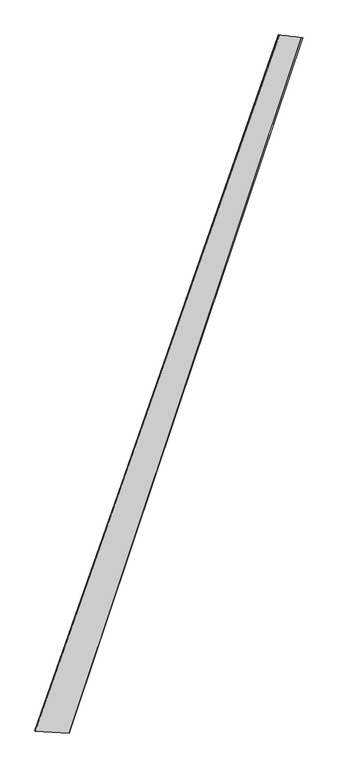
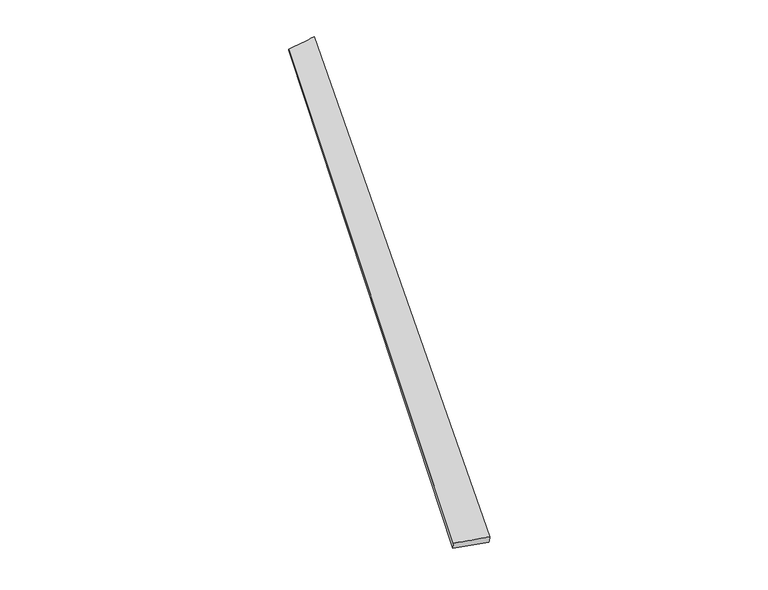
"""IFC4 building model written with IfcOpenShell, lengths in millimetres: proxy geometry."""

from ifc_helpers import new_model, si_unit, origin, place, context, project, spatial, source, transform, mapped, element, save
from ifc_brep_helpers import spline_surface, advanced_brep


def generic_models_ff40ab05(model_context):
    return source(origin(), model_context, "Body", "AdvancedBrep", [
        advanced_brep(
        [(-702.5999877, -1779.9199689, 12.3026347), (-699.5788053, -1780.7593469, 42.1383164), (683.8214698, 2175.0744453, 11.2908033), (691.209524, 2172.2496024, -17.6476991), (-506.6297582, -1791.9812015, 17.2970955), (814.7492201, 2160.31119, 46.5939605), (-510.9989435, -1790.2803982, -12.3342643), (822.3894073, 2157.9507647, 17.6793287)],
        [
            (0, 1),
            (1, 2),
            (2, 3),
            (3, 0),
            (1, 4),
            (4, 5),
            (5, 2),
            (4, 6),
            (6, 7),
            (7, 5),
            (6, 0),
            (3, 7),
        ],
        [
            spline_surface(1, 1, [[(-702.5999877, -1779.9199689, 12.3026347), (691.209524, 2172.2496024, -17.6476991)], [(-699.5788053, -1780.7593469, 42.1383164), (683.8214698, 2175.0744453, 11.2908033)]], [2, 2], [2, 2], [0.0, 1.0], [0.0, 1.0]),
            spline_surface(1, 1, [[(-699.5788053, -1780.7593469, 42.1383164), (683.8214698, 2175.0744453, 11.2908033)], [(-506.6297582, -1791.9812015, 17.2970955), (814.7492201, 2160.31119, 46.5939605)]], [2, 2], [2, 2], [0.0, 1.0], [0.0, 1.0]),
            spline_surface(1, 1, [[(-506.6297582, -1791.9812015, 17.2970955), (814.7492201, 2160.31119, 46.5939605)], [(-510.9989435, -1790.2803982, -12.3342643), (822.3894073, 2157.9507647, 17.6793287)]], [2, 2], [2, 2], [0.0, 1.0], [0.0, 1.0]),
            spline_surface(1, 1, [[(-510.9989435, -1790.2803982, -12.3342643), (822.3894073, 2157.9507647, 17.6793287)], [(-702.5999877, -1779.9199689, 12.3026347), (691.209524, 2172.2496024, -17.6476991)]], [2, 2], [2, 2], [0.0, 1.0], [0.0, 1.0]),
            spline_surface(1, 1, [[(683.8214698, 2175.0744453, 11.2908033), (691.209524, 2172.2496024, -17.6476991)], [(814.7492201, 2160.31119, 46.5939605), (822.3894073, 2157.9507647, 17.6793287)]], [2, 2], [2, 2], [0.0, 1.0], [0.0, 1.0]),
            spline_surface(1, 1, [[(-510.9989435, -1790.2803982, -12.3342643), (-702.5999877, -1779.9199689, 12.3026347)], [(-506.6297582, -1791.9812015, 17.2970955), (-699.5788053, -1780.7593469, 42.1383164)]], [2, 2], [2, 2], [0.0, 1.0], [0.0, 1.0]),
        ],
        [
            (0, [[1, 2, 3, 4]]),
            (1, [[5, 6, 7, -2]]),
            (2, [[8, 9, 10, -6]]),
            (3, [[11, -4, 12, -9]]),
            (4, [[-3, -7, -10, -12]]),
            (5, [[-11, -8, -5, -1]]),
        ],
    ),
    ])


if __name__ == "__main__":
    model = new_model("IFC4")
    model_context = context("Model", 3, world=origin())
    ifc_project = project(units=[si_unit("LENGTHUNIT", "METRE", prefix="MILLI")], contexts=[model_context])
    site = spatial("IfcSite", under=ifc_project)
    building = spatial("IfcBuilding", under=site)
    placement = place(None, origin())
    generic_models_shape = generic_models_ff40ab05(model_context)
    element("IfcBuildingElementProxy", 1, Name="Generic Models", at=placement, inside=building, context=model_context, shape_type="MappedRepresentation", body=[
        mapped(generic_models_shape, transform((0.0, 0.0, 0.0), x_axis=(1.0, 0.0, 0.0), y_axis=(0.0, 1.0, 0.0), z_axis=(0.0, 0.0, 1.0))),
    ])
    save(model, "model.ifc")
